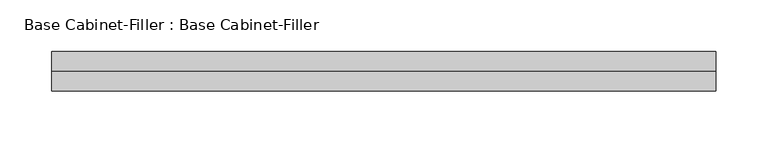
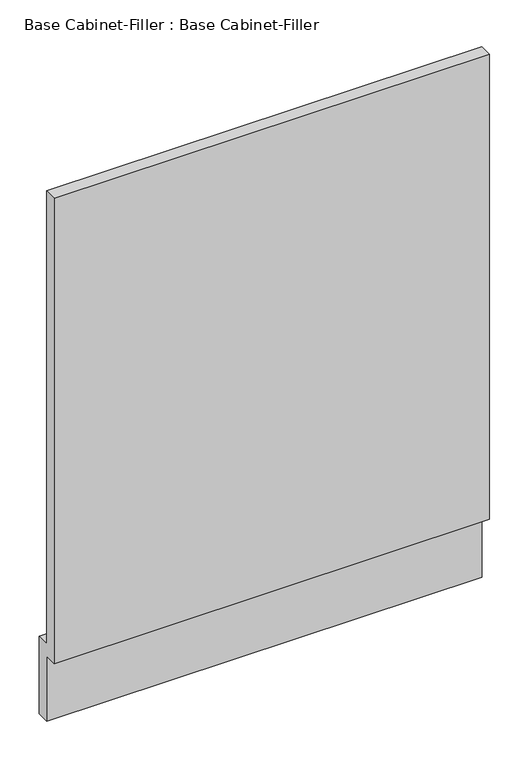
"""IFC4 building model written with IfcOpenShell, lengths in millimetres: furniture geometry, Base Cabinet-Filler : Base Cabinet-Filler."""

from ifc_helpers import new_model, si_unit, frame, origin, place, context, project, spatial, polyline, outline, extrude, source, transform, mapped, element, save


def base_cabinet_filler_base_cabinet_filler_8efef165(model_context):
    return source(origin(), model_context, "Body", "SweptSolid", [
        extrude(outline(polyline([(-590.55, 101.6), (-590.55, 825.5), (-571.5, 825.5), (-571.5, 120.65), (-552.45, 120.65), (-552.45, 0.0), (-571.5, 0.0), (-571.5, 101.6), (-590.55, 101.6)])), frame((-302.0247951, 0.0, 0.0), z_axis=(1.0, 0.0, 0.0), x_axis=(0.0, 1.0, 0.0)), (0.0, 0.0, 1.0), 641.525),
    ])


if __name__ == "__main__":
    model = new_model("IFC4")
    model_context = context("Model", 3, world=origin())
    ifc_project = project(units=[si_unit("LENGTHUNIT", "METRE", prefix="MILLI")], contexts=[model_context])
    site = spatial("IfcSite", under=ifc_project)
    building = spatial("IfcBuilding", under=site)
    placement = place(None, origin())
    base_cabinet_filler_base_cabinet_filler_shape = base_cabinet_filler_base_cabinet_filler_8efef165(model_context)
    element("IfcFurniture", 1, ObjectType="Base Cabinet-Filler : Base Cabinet-Filler", at=placement, inside=building, context=model_context, shape_type="MappedRepresentation", body=[
        mapped(base_cabinet_filler_base_cabinet_filler_shape, transform((0.0, 0.0, 0.0), x_axis=(1.0, 0.0, 0.0), y_axis=(0.0, 1.0, 0.0), z_axis=(0.0, 0.0, 1.0))),
    ])
    save(model, "model.ifc")
